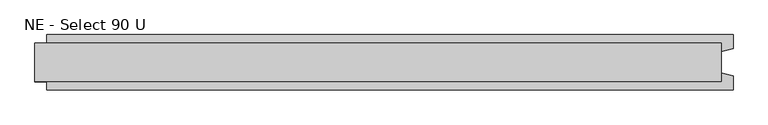
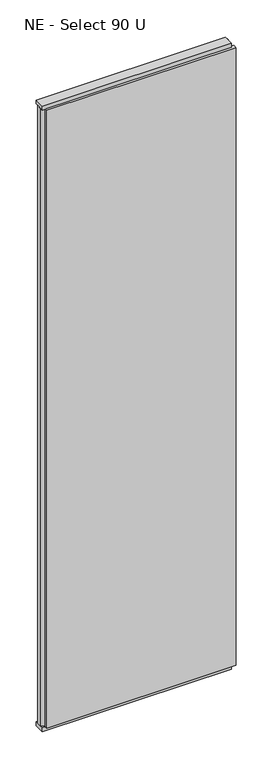
"""IFC4 building model written with IfcOpenShell, lengths in millimetres: plate geometry, NE - Select 90 U."""

from ifc_helpers import new_model, si_unit, frame, origin, origin_with_axes, place, context, project, spatial, polyline, outline, extrude, source, transform, mapped, element, save


def ne_select_90_u_29f1d13b(model_context):
    return source(origin(), model_context, "Body", "SweptSolid", [
        extrude(outline(polyline([(592.9166667, 46.0), (592.9166667, 22.9993165), (572.9166667, 17.6401049), (572.9166667, -17.6401049), (592.9166667, -22.9993165), (592.9166667, -46.0), (-552.9166667, -46.0), (-552.9166667, -22.9993165), (-572.9166667, -17.6401049), (-572.9166667, 17.6401049), (-552.9166667, 22.9993165), (-552.9166667, 46.0), (592.9166667, 46.0)])), frame((0.0, 0.0, 25.0), z_axis=(0.0, 0.0, 1.0), x_axis=(1.0, 0.0, 0.0)), (0.0, 0.0, 1.0), 3950.0),
        extrude(outline(polyline([(572.9166667, 32.0), (572.9166667, -32.0), (-572.9166667, -32.0), (-572.9166667, 32.0), (572.9166667, 32.0)])), origin_with_axes(), (0.0, 0.0, 1.0), 25.0),
        extrude(outline(polyline([(572.9166667, 32.0), (572.9166667, -32.0), (-572.9166667, -32.0), (-572.9166667, 32.0), (572.9166667, 32.0)])), frame((0.0, 0.0, 3975.0), z_axis=(0.0, 0.0, 1.0), x_axis=(1.0, 0.0, 0.0)), (0.0, 0.0, 1.0), 25.0),
    ])


if __name__ == "__main__":
    model = new_model("IFC4")
    model_context = context("Model", 3, world=origin())
    ifc_project = project(units=[si_unit("LENGTHUNIT", "METRE", prefix="MILLI")], contexts=[model_context])
    site = spatial("IfcSite", under=ifc_project)
    building = spatial("IfcBuilding", under=site)
    placement = place(None, origin())
    ne_select_90_u_shape = ne_select_90_u_29f1d13b(model_context)
    element("IfcPlate", 1, ObjectType="NE - Select 90 U", at=placement, inside=building, context=model_context, shape_type="MappedRepresentation", body=[
        mapped(ne_select_90_u_shape, transform((0.0, 0.0, 0.0), x_axis=(1.0, 0.0, 0.0), y_axis=(0.0, 1.0, 0.0), z_axis=(0.0, 0.0, 1.0))),
    ])
    save(model, "model.ifc")
